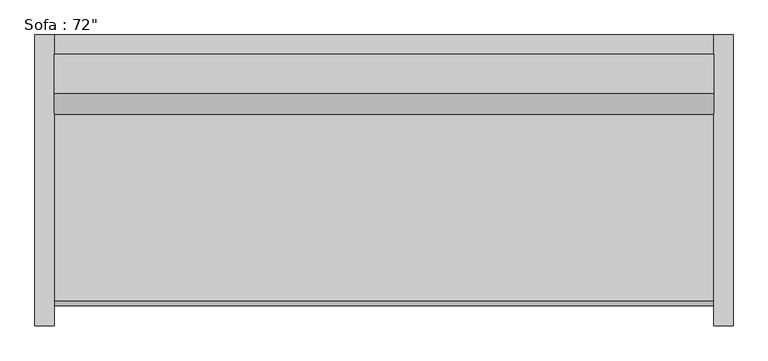
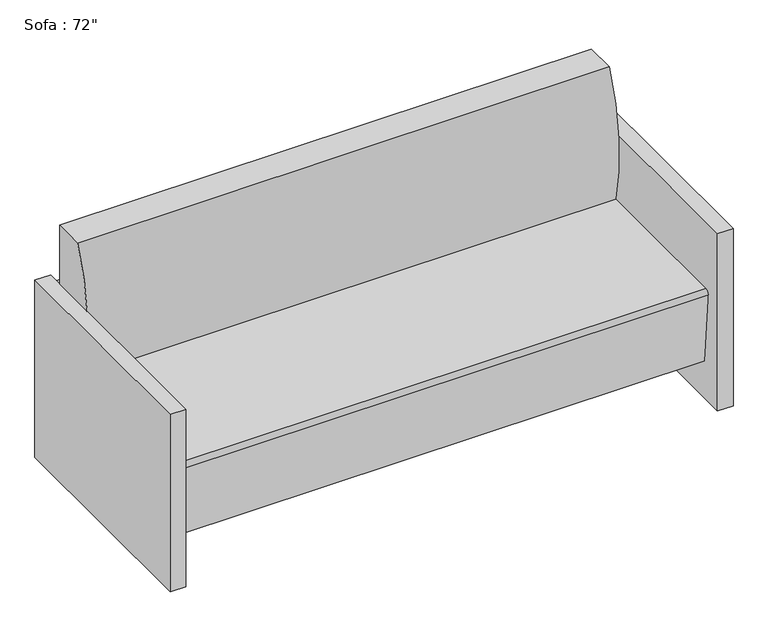
"""IFC4 building model written with IfcOpenShell, lengths in millimetres: furniture geometry."""

from ifc_helpers import new_model, si_unit, point, frame, frame_2d, origin, origin_with_axes, place, context, project, spatial, polyline, circle_curve, trimmed, segment, composite_curve, outline, extrude, source, transform, mapped, element, save


def furniture_1e5fe400(model_context):
    return source(origin(), model_context, "Body", "SweptSolid", [
        extrude(outline(polyline([(-793.2295082, 425.5540984), (-793.2295082, 476.3540984), (933.9704918, 476.3540984), (933.9704918, 425.5540984), (-793.2295082, 425.5540984)])), frame((0.0, 0.0, 457.2), z_axis=(0.0, 0.0, 1.0), x_axis=(1.0, 0.0, 0.0)), (0.0, 0.0, 1.0), 127.0),
        extrude(outline(polyline([(-793.2295082, 425.5540984), (-793.2295082, 476.3540984), (933.9704918, 476.3540984), (933.9704918, 425.5540984), (-793.2295082, 425.5540984)])), frame((0.0, 0.0, 266.7), z_axis=(0.0, 0.0, 1.0), x_axis=(1.0, 0.0, 0.0)), (0.0, 0.0, 1.0), 127.0),
        extrude(outline(polyline([(-793.2295082, 425.5540984), (-793.2295082, 476.3540984), (933.9704918, 476.3540984), (933.9704918, 425.5540984), (-793.2295082, 425.5540984)])), frame((0.0, 0.0, 76.2), z_axis=(0.0, 0.0, 1.0), x_axis=(1.0, 0.0, 0.0)), (0.0, 0.0, 1.0), 127.0),
        extrude(outline(composite_curve([segment(trimmed(circle_curve(frame_2d((926.517198, 542.5300036)), 660.4), [point((286.1764935, 381.0))], [point((323.9540984, 812.8))], False, "CARTESIAN"), True, "CONTINUOUS"), segment(polyline([(323.9540984, 812.8), (425.5540984, 812.8), (425.5540984, 127.9665467), (-212.708343, 127.9665467), (-233.6379563, 367.1931221)]), True, "CONTINUOUS"), segment(trimmed(circle_curve(frame_2d((-220.9862837, 368.3)), 12.7), [point((-233.6379563, 367.1931221))], [point((-220.9862837, 381.0))], False, "CARTESIAN"), True, "CONTINUOUS"), segment(polyline([(-220.9862837, 381.0), (286.1764935, 381.0)]), True, "CONTINUOUS")], self_intersect=False)), frame((-793.2295082, 0.0, 0.0), z_axis=(1.0, 0.0, 0.0), x_axis=(0.0, 1.0, 0.0)), (0.0, 0.0, 1.0), 1727.2),
        extrude(outline(polyline([(-844.0295082, 476.3540984), (-793.2295082, 476.3540984), (-793.2295082, -285.6459016), (-844.0295082, -285.6459016), (-844.0295082, 476.3540984)])), origin_with_axes(), (0.0, 0.0, 1.0), 609.6),
        extrude(outline(polyline([(984.7704918, 476.3540984), (984.7704918, -285.6459016), (933.9704918, -285.6459016), (933.9704918, 476.3540984), (984.7704918, 476.3540984)])), origin_with_axes(), (0.0, 0.0, 1.0), 609.6),
    ])


if __name__ == "__main__":
    model = new_model("IFC4")
    model_context = context("Model", 3, world=origin())
    ifc_project = project(units=[si_unit("LENGTHUNIT", "METRE", prefix="MILLI")], contexts=[model_context])
    site = spatial("IfcSite", under=ifc_project)
    building = spatial("IfcBuilding", under=site)
    placement = place(None, origin())
    furniture_shape = furniture_1e5fe400(model_context)
    element("IfcFurniture", 1, ObjectType="Sofa : 72\"", at=placement, inside=building, context=model_context, shape_type="MappedRepresentation", body=[
        mapped(furniture_shape, transform((0.0, 0.0, 0.0), x_axis=(1.0, 0.0, 0.0), y_axis=(0.0, 1.0, 0.0), z_axis=(0.0, 0.0, 1.0))),
    ])
    save(model, "model.ifc")
